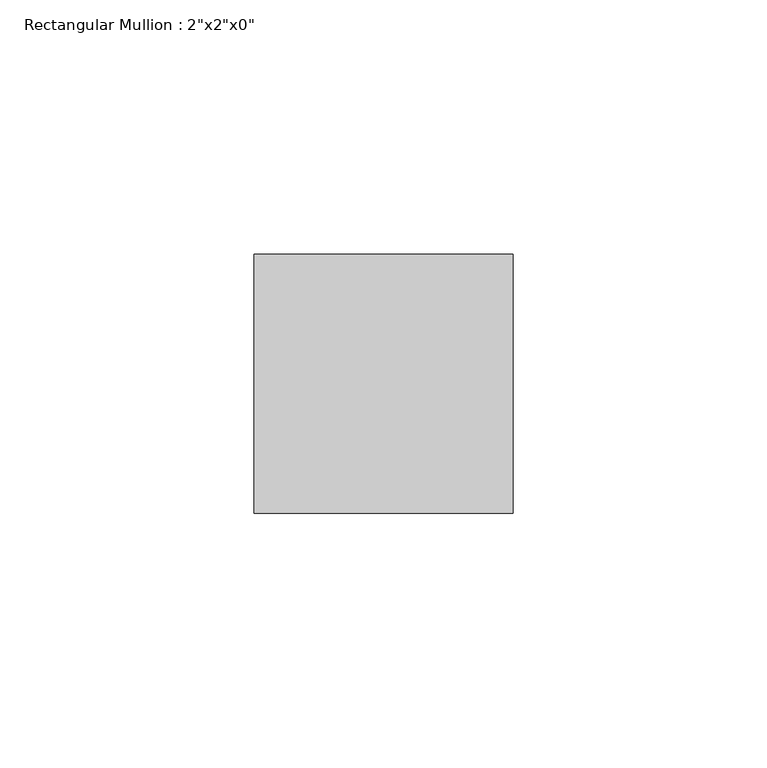
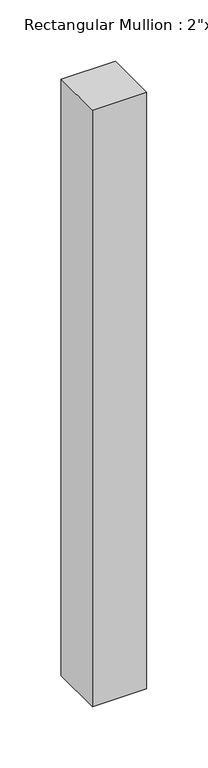
"""IFC4 building model written with IfcOpenShell, lengths in millimetres: member geometry."""

from ifc_helpers import new_model, si_unit, frame, origin, place, context, project, spatial, polyline, outline, extrude, source, transform, mapped, element, save


def member_219db628(model_context):
    return source(origin(), model_context, "Body", "SweptSolid", [
        extrude(outline(polyline([(0.0, 25.4), (0.0, -25.4), (-50.8, -25.4), (-50.8, 25.4), (0.0, 25.4)])), frame((0.0, 0.0, -592.0508804), z_axis=(0.0, 0.0, 1.0), x_axis=(1.0, 0.0, 0.0)), (0.0, 0.0, 1.0), 592.0508804),
    ])


if __name__ == "__main__":
    model = new_model("IFC4")
    model_context = context("Model", 3, world=origin())
    ifc_project = project(units=[si_unit("LENGTHUNIT", "METRE", prefix="MILLI")], contexts=[model_context])
    site = spatial("IfcSite", under=ifc_project)
    building = spatial("IfcBuilding", under=site)
    placement = place(None, origin())
    member_shape = member_219db628(model_context)
    element("IfcMember", 1, ObjectType="Rectangular Mullion : 2\"x2\"x0\"", at=placement, inside=building, context=model_context, shape_type="MappedRepresentation", body=[
        mapped(member_shape, transform((0.0, 0.0, 0.0), x_axis=(1.0, 0.0, 0.0), y_axis=(0.0, 1.0, 0.0), z_axis=(0.0, 0.0, 1.0))),
    ])
    save(model, "model.ifc")
